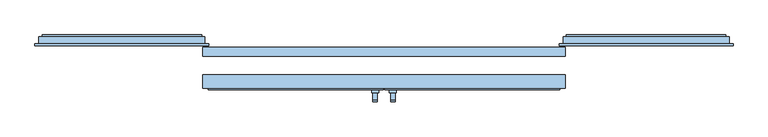
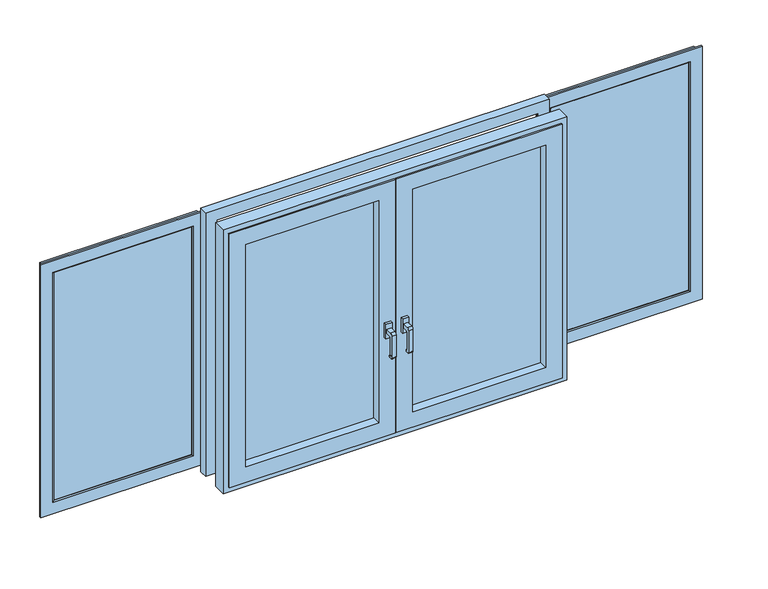
"""IFC4 building model written with IfcOpenShell, lengths in millimetres: window geometry."""

from ifc_helpers import new_model, si_unit, point, frame, frame_2d, origin, place, context, project, spatial, polyline, circle_curve, ellipse_curve, trimmed, segment, composite_curve, outline, extrude, faceted_brep, source, transform, mapped, element, save
from ifc_brep_helpers import plane_surface, cylinder_surface, advanced_brep


def window_c8cabfdf(model_context):
    return source(origin(), model_context, "Body", "SolidModel", [
        extrude(outline(polyline([(-834.9, 165.0), (-1479.5834405, 165.0), (-1479.5834405, 197.5), (-834.9, 197.5), (-834.9, 165.0)])), frame((0.0, 0.0, 987.9), z_axis=(0.0, 0.0, 1.0), x_axis=(1.0, 0.0, 0.0)), (0.0, 0.0, 1.0), 1124.2),
        advanced_brep(
        [(-1523.5165595, 165.0, 2156.033119), (-1523.5165595, 197.5, 2156.033119), (-1523.5165595, 197.5, 943.966881), (-1523.5165595, 165.0, 943.966881), (-790.966881, 197.5, 943.966881), (-790.966881, 165.0, 943.966881), (-790.966881, 197.5, 2156.033119), (-805.5, 197.5, 958.5), (-805.5, 197.5, 2141.5), (-1508.9834405, 197.5, 2141.5), (-1508.9834405, 197.5, 958.5), (-790.966881, 165.0, 2156.033119), (-1540.9834405, 165.0, 926.5), (-1540.9834405, 165.0, 2173.5), (-773.5, 165.0, 2173.5), (-773.5, 165.0, 926.5), (-1508.9834405, 205.0, 2141.5), (-1508.9834405, 205.0, 958.5), (-805.5, 205.0, 958.5), (-805.5, 205.0, 2141.5), (-830.0, 205.0, 983.0), (-830.0, 205.0, 2117.0), (-1484.4834405, 205.0, 2117.0), (-1484.4834405, 205.0, 983.0), (-1479.4834405, 200.0, 2112.0), (-1479.4834405, 200.0, 988.0), (-835.0, 200.0, 988.0), (-1479.4834405, 162.5, 988.0), (-835.0, 162.5, 988.0), (-835.0, 200.0, 2112.0), (-1479.4834405, 162.5, 2112.0), (-1484.4834405, 157.5, 983.0), (-830.0, 157.5, 983.0), (-835.0, 162.5, 2112.0), (-1484.4834405, 157.5, 2117.0), (-773.5, 157.5, 926.5), (-773.5, 157.5, 2173.5), (-1540.9834405, 157.5, 2173.5), (-1540.9834405, 157.5, 926.5), (-830.0, 157.5, 2117.0)],
        [
            (0, 1),
            (1, 2),
            (2, 3),
            (3, 0),
            (2, 4),
            (4, 5),
            (5, 3),
            (1, 6),
            (6, 4),
            (7, 8),
            (8, 9),
            (9, 10),
            (10, 7),
            (6, 11),
            (11, 5),
            (12, 13),
            (13, 14),
            (14, 15),
            (15, 12),
            (11, 0),
            (9, 16),
            (16, 17),
            (17, 10),
            (17, 18),
            (18, 7),
            (16, 19),
            (19, 18),
            (20, 21),
            (21, 22),
            (22, 23),
            (23, 20),
            (19, 8),
            (22, 24, ellipse_curve(frame((-1484.4834405, 200.0, 2117.0), z_axis=(-0.7071067811865477, 0.0, -0.7071067811865472), x_axis=(-0.7071067811865471, 0.0, 0.7071067811865478)), 7.0710678, 5.0)),
            (24, 25),
            (25, 23, ellipse_curve(frame((-1484.4834405, 200.0, 983.0), z_axis=(-0.7071067811865474, 0.0, 0.7071067811865477), x_axis=(0.7071067811865478, 0.0, 0.7071067811865474)), 7.0710678, 5.0)),
            (25, 26),
            (26, 20, ellipse_curve(frame((-830.0, 200.0, 983.0), z_axis=(-0.7071067811865476, 0.0, -0.7071067811865474), x_axis=(-0.7071067811865476, 0.0, 0.7071067811865475)), 7.0710678, 5.0)),
            (25, 27),
            (27, 28),
            (28, 26),
            (26, 29),
            (29, 21, ellipse_curve(frame((-830.0, 200.0, 2117.0), z_axis=(0.7071067811865474, 0.0, -0.7071067811865477), x_axis=(-0.7071067811865476, 0.0, -0.7071067811865474)), 7.0710678, 5.0)),
            (24, 30),
            (30, 27),
            (27, 31, ellipse_curve(frame((-1484.4834405, 162.5, 983.0), z_axis=(0.7071067811865474, 0.0, -0.7071067811865477), x_axis=(-0.7071067811865476, 0.0, -0.7071067811865474)), 7.0710678, 5.0)),
            (31, 32),
            (32, 28, ellipse_curve(frame((-830.0, 162.5, 983.0), z_axis=(-0.7071067811865476, 0.0, -0.7071067811865474), x_axis=(-0.7071067811865476, 0.0, 0.7071067811865475)), 7.0710678, 5.0)),
            (28, 33),
            (33, 29),
            (30, 34, ellipse_curve(frame((-1484.4834405, 162.5, 2117.0), z_axis=(-0.7071067811865477, 0.0, -0.7071067811865472), x_axis=(-0.7071067811865471, 0.0, 0.7071067811865478)), 7.0710678, 5.0)),
            (34, 31),
            (35, 36),
            (36, 37),
            (37, 38),
            (38, 35),
            (34, 39),
            (39, 32),
            (39, 33, ellipse_curve(frame((-830.0, 162.5, 2117.0), z_axis=(0.7071067811865474, 0.0, -0.7071067811865477), x_axis=(-0.7071067811865476, 0.0, -0.7071067811865474)), 7.0710678, 5.0)),
            (37, 13),
            (12, 38),
            (15, 35),
            (14, 36),
            (29, 24),
            (33, 30),
        ],
        [
            plane_surface(frame((-1523.5165595, 197.5, 2156.033119), z_axis=(-1.0, 0.0, 0.0), x_axis=(0.0, 0.0, -1.0))),
            plane_surface(frame((-1523.5165595, 197.5, 943.966881), z_axis=(0.0, 0.0, -1.0), x_axis=(1.0, 0.0, 0.0))),
            plane_surface(frame((-1508.9834405, 197.5, 2141.5), z_axis=(0.0, 1.0, 0.0), x_axis=(0.0, 0.0, -1.0))),
            plane_surface(frame((-790.966881, 197.5, 943.966881), z_axis=(1.0, 0.0, 0.0), x_axis=(0.0, 0.0, 1.0))),
            plane_surface(frame((-1523.5165595, 165.0, 2156.033119), z_axis=(0.0, 1.0, 0.0), x_axis=(0.0, 0.0, -1.0))),
            plane_surface(frame((-1508.9834405, 205.0, 2141.5), z_axis=(-1.0, 0.0, 0.0), x_axis=(0.0, 0.0, -1.0))),
            plane_surface(frame((-1508.9834405, 205.0, 958.5), z_axis=(0.0, 0.0, -1.0), x_axis=(1.0, 0.0, 0.0))),
            plane_surface(frame((-1484.4834405, 205.0, 2117.0), z_axis=(0.0, 1.0, 0.0), x_axis=(0.0, 0.0, -1.0))),
            plane_surface(frame((-805.5, 205.0, 958.5), z_axis=(1.0, 0.0, 0.0), x_axis=(0.0, 0.0, 1.0))),
            cylinder_surface(frame((-1484.4834405, 200.0, 2173.5), z_axis=(0.0, 0.0, 1.0), x_axis=(0.0, -1.0, 0.0)), 5.0),
            cylinder_surface(frame((-1540.9834405, 200.0, 983.0), z_axis=(-1.0, 0.0, 0.0), x_axis=(0.0, -1.0, 0.0)), 5.0),
            plane_surface(frame((-1479.4834405, 162.5, 988.0), z_axis=(0.0, 0.0, 1.0), x_axis=(1.0, 0.0, 0.0))),
            cylinder_surface(frame((-830.0, 200.0, 926.5), z_axis=(0.0, 0.0, -1.0), x_axis=(0.0, -1.0, 0.0)), 5.0),
            plane_surface(frame((-1479.4834405, 162.5, 2112.0), z_axis=(1.0, 0.0, 0.0), x_axis=(0.0, 0.0, -1.0))),
            cylinder_surface(frame((-1540.9834405, 162.5, 983.0), z_axis=(-1.0, 0.0, 0.0), x_axis=(0.0, -1.0, 0.0)), 5.0),
            plane_surface(frame((-835.0, 162.5, 988.0), z_axis=(-1.0, 0.0, 0.0), x_axis=(0.0, 0.0, 1.0))),
            cylinder_surface(frame((-1484.4834405, 162.5, 2173.5), z_axis=(0.0, 0.0, 1.0), x_axis=(0.0, -1.0, 0.0)), 5.0),
            plane_surface(frame((-1540.9834405, 157.5, 2173.5), z_axis=(0.0, -1.0, 0.0), x_axis=(0.0, 0.0, -1.0))),
            cylinder_surface(frame((-830.0, 162.5, 926.5), z_axis=(0.0, 0.0, -1.0), x_axis=(0.0, -1.0, 0.0)), 5.0),
            plane_surface(frame((-1540.9834405, 165.0, 2173.5), z_axis=(-1.0, 0.0, 0.0), x_axis=(0.0, 0.0, -1.0))),
            plane_surface(frame((-1540.9834405, 165.0, 926.5), z_axis=(0.0, 0.0, -1.0), x_axis=(1.0, 0.0, 0.0))),
            plane_surface(frame((-773.5, 165.0, 926.5), z_axis=(1.0, 0.0, 0.0), x_axis=(0.0, 0.0, 1.0))),
            plane_surface(frame((-790.966881, 197.5, 2156.033119), z_axis=(0.0, 0.0, 1.0), x_axis=(-1.0, 0.0, 0.0))),
            plane_surface(frame((-805.5, 205.0, 2141.5), z_axis=(0.0, 0.0, 1.0), x_axis=(-1.0, 0.0, 0.0))),
            cylinder_surface(frame((-773.5, 200.0, 2117.0), z_axis=(1.0, 0.0, 0.0), x_axis=(0.0, -1.0, 0.0)), 5.0),
            plane_surface(frame((-835.0, 162.5, 2112.0), z_axis=(0.0, 0.0, -1.0), x_axis=(-1.0, 0.0, 0.0))),
            cylinder_surface(frame((-773.5, 162.5, 2117.0), z_axis=(1.0, 0.0, 0.0), x_axis=(0.0, -1.0, 0.0)), 5.0),
            plane_surface(frame((-773.5, 165.0, 2173.5), z_axis=(0.0, 0.0, 1.0), x_axis=(-1.0, 0.0, 0.0))),
        ],
        [
            (0, [[1, 2, 3, 4]]),
            (1, [[-3, 5, 6, 7]]),
            (2, [[-2, 8, 9, -5], [10, 11, 12, 13]]),
            (3, [[-6, -9, 14, 15]]),
            (4, [[16, 17, 18, 19], [-15, 20, -4, -7]]),
            (5, [[21, 22, 23, -12]]),
            (6, [[-23, 24, 25, -13]]),
            (7, [[-22, 26, 27, -24], [28, 29, 30, 31]]),
            (8, [[-25, -27, 32, -10]]),
            (9, [[33, 34, 35, -30]]),
            (10, [[-35, 36, 37, -31]]),
            (11, [[38, 39, 40, -36]]),
            (12, [[-37, 41, 42, -28]]),
            (13, [[43, 44, -38, -34]]),
            (14, [[45, 46, 47, -39]]),
            (15, [[-40, 48, 49, -41]]),
            (16, [[50, 51, -45, -44]]),
            (17, [[52, 53, 54, 55], [-51, 56, 57, -46]]),
            (18, [[-47, -57, 58, -48]]),
            (19, [[59, -16, 60, -54]]),
            (20, [[-60, -19, 61, -55]]),
            (21, [[-61, -18, 62, -52]]),
            (22, [[-14, -8, -1, -20]]),
            (23, [[-32, -26, -21, -11]]),
            (24, [[-42, 63, -33, -29]]),
            (25, [[-49, 64, -43, -63]]),
            (26, [[-58, -56, -50, -64]]),
            (27, [[-62, -17, -59, -53]]),
        ],
    ),
        extrude(outline(polyline([(1479.6, 165.0), (834.9, 165.0), (834.9, 197.5), (1479.6, 197.5), (1479.6, 165.0)])), frame((0.0, 0.0, 987.9), z_axis=(0.0, 0.0, 1.0), x_axis=(1.0, 0.0, 0.0)), (0.0, 0.0, 1.0), 1124.2),
        advanced_brep(
        [(1523.533119, 197.5, 2156.033119), (1523.533119, 165.0, 2156.033119), (1523.533119, 165.0, 943.966881), (1523.533119, 197.5, 943.966881), (790.966881, 165.0, 943.966881), (790.966881, 197.5, 943.966881), (773.5, 165.0, 926.5), (773.5, 165.0, 2173.5), (1541.0, 165.0, 2173.5), (1541.0, 165.0, 926.5), (790.966881, 165.0, 2156.033119), (790.966881, 197.5, 2156.033119), (1509.0, 197.5, 958.5), (1509.0, 197.5, 2141.5), (805.5, 197.5, 2141.5), (805.5, 197.5, 958.5), (1509.0, 205.0, 2141.5), (1509.0, 205.0, 958.5), (805.5, 205.0, 958.5), (805.5, 205.0, 2141.5), (1484.5, 205.0, 983.0), (1484.5, 205.0, 2117.0), (830.0, 205.0, 2117.0), (830.0, 205.0, 983.0), (1479.5, 200.0, 2112.0), (1479.5, 200.0, 988.0), (835.0, 200.0, 988.0), (835.0, 200.0, 2112.0), (1479.5, 162.5, 988.0), (835.0, 162.5, 988.0), (1479.5, 162.5, 2112.0), (835.0, 162.5, 2112.0), (1484.5, 157.5, 983.0), (830.0, 157.5, 983.0), (1484.5, 157.5, 2117.0), (830.0, 157.5, 2117.0), (1541.0, 157.5, 926.5), (1541.0, 157.5, 2173.5), (773.5, 157.5, 2173.5), (773.5, 157.5, 926.5)],
        [
            (0, 1),
            (1, 2),
            (2, 3),
            (3, 0),
            (2, 4),
            (4, 5),
            (5, 3),
            (6, 7),
            (7, 8),
            (8, 9),
            (9, 6),
            (1, 10),
            (10, 4),
            (10, 11),
            (11, 5),
            (11, 0),
            (12, 13),
            (13, 14),
            (14, 15),
            (15, 12),
            (16, 13),
            (12, 17),
            (17, 16),
            (15, 18),
            (18, 17),
            (14, 19),
            (19, 18),
            (19, 16),
            (20, 21),
            (21, 22),
            (22, 23),
            (23, 20),
            (24, 21, ellipse_curve(frame((1484.5, 200.0, 2117.0), z_axis=(0.7071067811865475, 0.0, -0.7071067811865475), x_axis=(0.7071067811865474, 0.0, 0.7071067811865476)), 7.0710678, 5.0)),
            (20, 25, ellipse_curve(frame((1484.5, 200.0, 983.0), z_axis=(0.7071067811865475, 0.0, 0.7071067811865475), x_axis=(-0.7071067811865474, 0.0, 0.7071067811865476)), 7.0710678, 5.0)),
            (25, 24),
            (23, 26, ellipse_curve(frame((830.0, 200.0, 983.0), z_axis=(0.7071067811865475, 0.0, -0.7071067811865475), x_axis=(0.7071067811865476, 0.0, 0.7071067811865474)), 7.0710678, 5.0)),
            (26, 25),
            (22, 27, ellipse_curve(frame((830.0, 200.0, 2117.0), z_axis=(-0.7071067811865475, 0.0, -0.7071067811865475), x_axis=(0.7071067811865474, 0.0, -0.7071067811865476)), 7.0710678, 5.0)),
            (27, 26),
            (28, 25),
            (26, 29),
            (29, 28),
            (30, 24),
            (28, 30),
            (27, 31),
            (31, 29),
            (32, 28, ellipse_curve(frame((1484.5, 162.5, 983.0), z_axis=(-0.7071067811865475, 0.0, -0.7071067811865475), x_axis=(0.7071067811865476, 0.0, -0.7071067811865474)), 7.0710678, 5.0)),
            (29, 33, ellipse_curve(frame((830.0, 162.5, 983.0), z_axis=(0.7071067811865475, 0.0, -0.7071067811865475), x_axis=(0.7071067811865476, 0.0, 0.7071067811865474)), 7.0710678, 5.0)),
            (33, 32),
            (34, 30, ellipse_curve(frame((1484.5, 162.5, 2117.0), z_axis=(0.7071067811865475, 0.0, -0.7071067811865475), x_axis=(0.7071067811865474, 0.0, 0.7071067811865476)), 7.0710678, 5.0)),
            (32, 34),
            (31, 35, ellipse_curve(frame((830.0, 162.5, 2117.0), z_axis=(-0.7071067811865475, 0.0, -0.7071067811865475), x_axis=(0.7071067811865474, 0.0, -0.7071067811865476)), 7.0710678, 5.0)),
            (35, 33),
            (36, 37),
            (37, 38),
            (38, 39),
            (39, 36),
            (35, 34),
            (8, 37),
            (36, 9),
            (39, 6),
            (38, 7),
            (24, 27),
            (30, 31),
        ],
        [
            plane_surface(frame((1523.533119, 165.0, 2156.033119), z_axis=(1.0, 0.0, 0.0), x_axis=(0.0, 0.0, -1.0))),
            plane_surface(frame((1523.533119, 165.0, 943.966881), z_axis=(0.0, 0.0, -1.0), x_axis=(-1.0, 0.0, 0.0))),
            plane_surface(frame((1541.0, 165.0, 2173.5), z_axis=(0.0, 1.0, 0.0), x_axis=(0.0, 0.0, -1.0))),
            plane_surface(frame((790.966881, 165.0, 943.966881), z_axis=(-1.0, 0.0, 0.0), x_axis=(0.0, 0.0, 1.0))),
            plane_surface(frame((1523.533119, 197.5, 2156.033119), z_axis=(0.0, 1.0, 0.0), x_axis=(0.0, 0.0, -1.0))),
            plane_surface(frame((1509.0, 197.5, 2141.5), z_axis=(1.0, 0.0, 0.0), x_axis=(0.0, 0.0, -1.0))),
            plane_surface(frame((1509.0, 197.5, 958.5), z_axis=(0.0, 0.0, -1.0), x_axis=(-1.0, 0.0, 0.0))),
            plane_surface(frame((805.5, 197.5, 958.5), z_axis=(-1.0, 0.0, 0.0), x_axis=(0.0, 0.0, 1.0))),
            plane_surface(frame((1509.0, 205.0, 2141.5), z_axis=(0.0, 1.0, 0.0), x_axis=(0.0, 0.0, -1.0))),
            cylinder_surface(frame((1484.5, 200.0, 2173.5), z_axis=(0.0, 0.0, 1.0), x_axis=(0.0, -1.0, 0.0)), 5.0),
            cylinder_surface(frame((1541.0, 200.0, 983.0), z_axis=(1.0, 0.0, 0.0), x_axis=(0.0, -1.0, 0.0)), 5.0),
            cylinder_surface(frame((830.0, 200.0, 926.5), z_axis=(0.0, 0.0, -1.0), x_axis=(0.0, -1.0, 0.0)), 5.0),
            plane_surface(frame((1479.5, 200.0, 988.0), z_axis=(0.0, 0.0, 1.0), x_axis=(-1.0, 0.0, 0.0))),
            plane_surface(frame((1479.5, 200.0, 2112.0), z_axis=(-1.0, 0.0, 0.0), x_axis=(0.0, 0.0, -1.0))),
            plane_surface(frame((835.0, 200.0, 988.0), z_axis=(1.0, 0.0, 0.0), x_axis=(0.0, 0.0, 1.0))),
            cylinder_surface(frame((1541.0, 162.5, 983.0), z_axis=(1.0, 0.0, 0.0), x_axis=(0.0, -1.0, 0.0)), 5.0),
            cylinder_surface(frame((1484.5, 162.5, 2173.5), z_axis=(0.0, 0.0, 1.0), x_axis=(0.0, -1.0, 0.0)), 5.0),
            cylinder_surface(frame((830.0, 162.5, 926.5), z_axis=(0.0, 0.0, -1.0), x_axis=(0.0, -1.0, 0.0)), 5.0),
            plane_surface(frame((1484.5, 157.5, 2117.0), z_axis=(0.0, -1.0, 0.0), x_axis=(0.0, 0.0, -1.0))),
            plane_surface(frame((1541.0, 157.5, 2173.5), z_axis=(1.0, 0.0, 0.0), x_axis=(0.0, 0.0, -1.0))),
            plane_surface(frame((1541.0, 157.5, 926.5), z_axis=(0.0, 0.0, -1.0), x_axis=(-1.0, 0.0, 0.0))),
            plane_surface(frame((773.5, 157.5, 926.5), z_axis=(-1.0, 0.0, 0.0), x_axis=(0.0, 0.0, 1.0))),
            plane_surface(frame((790.966881, 165.0, 2156.033119), z_axis=(0.0, 0.0, 1.0), x_axis=(1.0, 0.0, 0.0))),
            plane_surface(frame((805.5, 197.5, 2141.5), z_axis=(0.0, 0.0, 1.0), x_axis=(1.0, 0.0, 0.0))),
            cylinder_surface(frame((773.5, 200.0, 2117.0), z_axis=(-1.0, 0.0, 0.0), x_axis=(0.0, -1.0, 0.0)), 5.0),
            plane_surface(frame((835.0, 200.0, 2112.0), z_axis=(0.0, 0.0, -1.0), x_axis=(1.0, 0.0, 0.0))),
            cylinder_surface(frame((773.5, 162.5, 2117.0), z_axis=(-1.0, 0.0, 0.0), x_axis=(0.0, -1.0, 0.0)), 5.0),
            plane_surface(frame((773.5, 157.5, 2173.5), z_axis=(0.0, 0.0, 1.0), x_axis=(1.0, 0.0, 0.0))),
        ],
        [
            (0, [[1, 2, 3, 4]]),
            (1, [[-3, 5, 6, 7]]),
            (2, [[8, 9, 10, 11], [-2, 12, 13, -5]]),
            (3, [[-6, -13, 14, 15]]),
            (4, [[-15, 16, -4, -7], [17, 18, 19, 20]]),
            (5, [[21, -17, 22, 23]]),
            (6, [[-22, -20, 24, 25]]),
            (7, [[-24, -19, 26, 27]]),
            (8, [[-27, 28, -23, -25], [29, 30, 31, 32]]),
            (9, [[33, -29, 34, 35]]),
            (10, [[-34, -32, 36, 37]]),
            (11, [[-36, -31, 38, 39]]),
            (12, [[40, -37, 41, 42]]),
            (13, [[43, -35, -40, 44]]),
            (14, [[-41, -39, 45, 46]]),
            (15, [[47, -42, 48, 49]]),
            (16, [[50, -44, -47, 51]]),
            (17, [[-48, -46, 52, 53]]),
            (18, [[54, 55, 56, 57], [-53, 58, -51, -49]]),
            (19, [[59, -54, 60, -10]]),
            (20, [[-60, -57, 61, -11]]),
            (21, [[-61, -56, 62, -8]]),
            (22, [[-14, -12, -1, -16]]),
            (23, [[-26, -18, -21, -28]]),
            (24, [[-38, -30, -33, 63]]),
            (25, [[-45, -63, -43, 64]]),
            (26, [[-52, -64, -50, -58]]),
            (27, [[-62, -55, -59, -9]]),
        ],
    ),
        faceted_brep([(-800.0, 110.0, 2200.0), (-800.0, 150.0, 2200.0), (-800.0, 150.0, 900.0), (-800.0, 110.0, 900.0), (800.0, 150.0, 2200.0), (800.0, 150.0, 900.0), (-767.5, 150.0, 932.5), (767.5, 150.0, 932.5), (767.5, 150.0, 2167.5), (-767.5, 150.0, 2167.5), (800.0, 110.0, 900.0), (800.0, 110.0, 2200.0), (-746.5, 110.0, 2146.5), (746.5, 110.0, 2146.5), (746.5, 110.0, 953.5), (-746.5, 110.0, 953.5), (-746.5, 115.0, 2146.5), (-746.5, 115.0, 953.5), (746.5, 115.0, 953.5), (-767.5, 115.0, 2167.5), (767.5, 115.0, 2167.5), (767.5, 115.0, 932.5), (-767.5, 115.0, 932.5), (746.5, 115.0, 2146.5)], [[[0, 1, 2, 3]], [[1, 4, 5, 2], [6, 7, 8, 9]], [[3, 2, 5, 10]], [[3, 10, 11, 0], [12, 13, 14, 15]], [[16, 12, 15, 17]], [[17, 15, 14, 18]], [[19, 20, 21, 22], [17, 18, 23, 16]], [[9, 19, 22, 6]], [[6, 22, 21, 7]], [[10, 5, 4, 11]], [[18, 14, 13, 23]], [[7, 21, 20, 8]], [[11, 4, 1, 0]], [[23, 13, 12, 16]], [[8, 20, 19, 9]]]),
        extrude(outline(composite_curve([segment(polyline([(-80.5, 1460.0), (-50.5, 1460.0), (-50.5, 1440.0), (-75.5, 1440.0)]), True, "CONTINUOUS"), segment(trimmed(circle_curve(frame_2d((-75.5, 1435.0)), 5.0), [point((-75.5, 1440.0))], [point((-80.5, 1435.0))], True, "CARTESIAN"), True, "CONTINUOUS"), segment(polyline([(-80.5, 1435.0), (-80.5, 1350.0786403)]), True, "CONTINUOUS"), segment(trimmed(circle_curve(frame_2d((-77.4213597, 1350.0786403)), 3.0786403), [point((-80.5, 1350.0786403))], [point((-77.4213597, 1347.0))], True, "CARTESIAN"), True, "CONTINUOUS"), segment(polyline([(-77.4213597, 1347.0), (-75.5, 1347.0)]), True, "CONTINUOUS"), segment(trimmed(circle_curve(frame_2d((-75.5, 1342.0)), 5.0), [point((-75.5, 1347.0))], [point((-75.5, 1337.0))], False, "CARTESIAN"), True, "CONTINUOUS"), segment(polyline([(-75.5, 1337.0), (-85.8955173, 1337.0)]), True, "CONTINUOUS"), segment(trimmed(circle_curve(frame_2d((-85.8955173, 1341.6044827)), 4.6044827), [point((-85.8955173, 1337.0))], [point((-90.5, 1341.6044827))], False, "CARTESIAN"), True, "CONTINUOUS"), segment(polyline([(-90.5, 1341.6044827), (-90.5, 1450.0)]), True, "CONTINUOUS"), segment(trimmed(circle_curve(frame_2d((-80.5, 1450.0)), 10.0), [point((-90.5, 1450.0))], [point((-80.5, 1460.0))], False, "CARTESIAN"), True, "CONTINUOUS")], self_intersect=False)), frame((29.2463268, 0.0, 0.0), z_axis=(1.0, 0.0, 0.0), x_axis=(0.0, 1.0, 0.0)), (0.0, 0.0, 1.0), 20.0),
        extrude(outline(polyline([(24.2463268, -50.5), (24.2463268, -37.5), (54.2463268, -37.5), (54.2463268, -50.5), (24.2463268, -50.5)])), frame((0.0, 0.0, 1415.0), z_axis=(0.0, 0.0, 1.0), x_axis=(1.0, 0.0, 0.0)), (0.0, 0.0, 1.0), 70.0),
        extrude(outline(composite_curve([segment(polyline([(-80.5, 1460.0), (-50.5, 1460.0), (-50.5, 1440.0), (-75.5, 1440.0)]), True, "CONTINUOUS"), segment(trimmed(circle_curve(frame_2d((-75.5, 1435.0)), 5.0), [point((-75.5, 1440.0))], [point((-80.5, 1435.0))], True, "CARTESIAN"), True, "CONTINUOUS"), segment(polyline([(-80.5, 1435.0), (-80.5, 1350.0786403)]), True, "CONTINUOUS"), segment(trimmed(circle_curve(frame_2d((-77.4213597, 1350.0786403)), 3.0786403), [point((-80.5, 1350.0786403))], [point((-77.4213597, 1347.0))], True, "CARTESIAN"), True, "CONTINUOUS"), segment(polyline([(-77.4213597, 1347.0), (-75.5, 1347.0)]), True, "CONTINUOUS"), segment(trimmed(circle_curve(frame_2d((-75.5, 1342.0)), 5.0), [point((-75.5, 1347.0))], [point((-75.5, 1337.0))], False, "CARTESIAN"), True, "CONTINUOUS"), segment(polyline([(-75.5, 1337.0), (-85.8955173, 1337.0)]), True, "CONTINUOUS"), segment(trimmed(circle_curve(frame_2d((-85.8955173, 1341.6044827)), 4.6044827), [point((-85.8955173, 1337.0))], [point((-90.5, 1341.6044827))], False, "CARTESIAN"), True, "CONTINUOUS"), segment(polyline([(-90.5, 1341.6044827), (-90.5, 1450.0)]), True, "CONTINUOUS"), segment(trimmed(circle_curve(frame_2d((-80.5, 1450.0)), 10.0), [point((-90.5, 1450.0))], [point((-80.5, 1460.0))], False, "CARTESIAN"), True, "CONTINUOUS")], self_intersect=False)), frame((-49.2463268, 0.0, 0.0), z_axis=(1.0, 0.0, 0.0), x_axis=(0.0, 1.0, 0.0)), (0.0, 0.0, 1.0), 20.0),
        extrude(outline(polyline([(-24.2463268, -50.5), (-54.2463268, -50.5), (-54.2463268, -37.5), (-24.2463268, -37.5), (-24.2463268, -50.5)])), frame((0.0, 0.0, 1415.0), z_axis=(0.0, 0.0, 1.0), x_axis=(1.0, 0.0, 0.0)), (0.0, 0.0, 1.0), 70.0),
        extrude(outline(polyline([(698.5, 4.0), (79.0, 4.0), (79.0, 22.0), (698.5, 22.0), (698.5, 4.0)])), frame((0.0, 0.0, 1001.5), z_axis=(0.0, 0.0, 1.0), x_axis=(1.0, 0.0, 0.0)), (0.0, 0.0, 1.0), 1097.0),
        extrude(outline(polyline([(-79.0, 4.0), (-698.5, 4.0), (-698.5, 22.0), (-79.0, 22.0), (-79.0, 4.0)])), frame((0.0, 0.0, 1001.5), z_axis=(0.0, 0.0, 1.0), x_axis=(1.0, 0.0, 0.0)), (0.0, 0.0, 1.0), 1097.0),
        faceted_brep([(758.0, 22.0, 2158.0), (758.0, -30.0, 2158.0), (758.0, -30.0, 942.0), (758.0, 22.0, 942.0), (2.5, -30.0, 925.0), (2.5, -30.0, 2175.0), (775.0, -30.0, 2175.0), (775.0, -30.0, 925.0), (19.5, -30.0, 2158.0), (19.5, -30.0, 942.0), (19.5, 22.0, 942.0), (19.5, 22.0, 2158.0), (35.5, 22.0, 2142.0), (35.5, 22.0, 958.0), (742.0, 22.0, 958.0), (742.0, 22.0, 2142.0), (775.0, -37.5, 2175.0), (775.0, -37.5, 925.0), (2.5, -37.5, 2175.0), (2.5, -37.5, 925.0), (79.0, -37.5, 1001.5), (79.0, -37.5, 2098.5), (698.5, -37.5, 2098.5), (698.5, -37.5, 1001.5), (698.5, 30.0, 2098.5), (698.5, 30.0, 1001.5), (35.5, 30.0, 958.0), (35.5, 30.0, 2142.0), (742.0, 30.0, 2142.0), (742.0, 30.0, 958.0), (79.0, 30.0, 2098.5), (79.0, 30.0, 1001.5)], [[[0, 1, 2, 3]], [[4, 5, 6, 7], [8, 9, 2, 1]], [[3, 2, 9, 10]], [[10, 11, 0, 3], [12, 13, 14, 15]], [[6, 16, 17, 7]], [[18, 19, 17, 16], [20, 21, 22, 23]], [[7, 17, 19, 4]], [[22, 24, 25, 23]], [[26, 27, 28, 29], [30, 31, 25, 24]], [[23, 25, 31, 20]], [[28, 15, 14, 29]], [[29, 14, 13, 26]], [[10, 9, 8, 11]], [[4, 19, 18, 5]], [[20, 31, 30, 21]], [[26, 13, 12, 27]], [[11, 8, 1, 0]], [[5, 18, 16, 6]], [[21, 30, 24, 22]], [[27, 12, 15, 28]]]),
        extrude(outline(polyline([(-33.0, 30.0), (28.0, 30.0), (28.0, 22.0), (17.0, 22.0), (17.0, -30.0), (-22.0, -30.0), (-22.0, 22.0), (-33.0, 22.0), (-33.0, 30.0)])), frame((0.0, 0.0, 962.0), z_axis=(0.0, 0.0, 1.0), x_axis=(1.0, 0.0, 0.0)), (0.0, 0.0, 1.0), 1180.0),
        faceted_brep([(-758.0, -30.0, 2158.0), (-758.0, 22.0, 2158.0), (-758.0, 22.0, 942.0), (-758.0, -30.0, 942.0), (-19.5, 22.0, 2158.0), (-19.5, 22.0, 942.0), (-35.5, 22.0, 958.0), (-35.5, 22.0, 2142.0), (-742.0, 22.0, 2142.0), (-742.0, 22.0, 958.0), (-19.5, -30.0, 942.0), (-2.5, -30.0, 2175.0), (-2.5, -30.0, 925.0), (-775.0, -30.0, 925.0), (-775.0, -30.0, 2175.0), (-19.5, -30.0, 2158.0), (-775.0, -37.5, 2175.0), (-775.0, -37.5, 925.0), (-2.5, -37.5, 925.0), (-2.5, -37.5, 2175.0), (-79.0, -37.5, 2098.5), (-79.0, -37.5, 1001.5), (-698.5, -37.5, 1001.5), (-698.5, -37.5, 2098.5), (-698.5, 30.0, 2098.5), (-698.5, 30.0, 1001.5), (-79.0, 30.0, 1001.5), (-35.5, 30.0, 2142.0), (-35.5, 30.0, 958.0), (-742.0, 30.0, 958.0), (-742.0, 30.0, 2142.0), (-79.0, 30.0, 2098.5)], [[[0, 1, 2, 3]], [[4, 5, 2, 1], [6, 7, 8, 9]], [[3, 2, 5, 10]], [[11, 12, 13, 14], [10, 15, 0, 3]], [[16, 14, 13, 17]], [[17, 13, 12, 18]], [[18, 19, 16, 17], [20, 21, 22, 23]], [[24, 23, 22, 25]], [[25, 22, 21, 26]], [[27, 28, 29, 30], [26, 31, 24, 25]], [[8, 30, 29, 9]], [[9, 29, 28, 6]], [[10, 5, 4, 15]], [[18, 12, 11, 19]], [[26, 21, 20, 31]], [[6, 28, 27, 7]], [[15, 4, 1, 0]], [[19, 11, 14, 16]], [[31, 20, 23, 24]], [[7, 27, 30, 8]]]),
        faceted_brep([(-800.0, 30.0, 2200.0), (-800.0, 30.0, 900.0), (-800.0, -30.0, 900.0), (-800.0, -30.0, 2200.0), (800.0, 30.0, 2200.0), (800.0, 30.0, 900.0), (-742.0, 30.0, 958.0), (742.0, 30.0, 958.0), (742.0, 30.0, 2142.0), (-742.0, 30.0, 2142.0), (800.0, -30.0, 900.0), (800.0, -30.0, 2200.0), (-764.0, -30.0, 2164.0), (764.0, -30.0, 2164.0), (764.0, -30.0, 936.0), (-764.0, -30.0, 936.0), (-764.0, 22.0, 2164.0), (-764.0, 22.0, 936.0), (764.0, 22.0, 936.0), (764.0, 22.0, 2164.0), (-742.0, 22.0, 2142.0), (742.0, 22.0, 2142.0), (742.0, 22.0, 958.0), (-742.0, 22.0, 958.0)], [[[0, 1, 2, 3]], [[0, 4, 5, 1], [6, 7, 8, 9]], [[2, 1, 5, 10]], [[2, 10, 11, 3], [12, 13, 14, 15]], [[16, 12, 15, 17]], [[17, 15, 14, 18]], [[17, 18, 19, 16], [20, 21, 22, 23]], [[9, 20, 23, 6]], [[6, 23, 22, 7]], [[10, 5, 4, 11]], [[18, 14, 13, 19]], [[7, 22, 21, 8]], [[11, 4, 0, 3]], [[19, 13, 12, 16]], [[8, 21, 20, 9]]]),
    ])


if __name__ == "__main__":
    model = new_model("IFC4")
    model_context = context("Model", 3, world=origin())
    ifc_project = project(units=[si_unit("LENGTHUNIT", "METRE", prefix="MILLI")], contexts=[model_context])
    site = spatial("IfcSite", under=ifc_project)
    building = spatial("IfcBuilding", under=site)
    placement = place(None, origin())
    window_shape = window_c8cabfdf(model_context)
    element("IfcWindow", 1, at=placement, inside=building, context=model_context, shape_type="MappedRepresentation", body=[
        mapped(window_shape, transform((0.0, 0.0, 0.0), x_axis=(1.0, 0.0, 0.0), y_axis=(0.0, 1.0, 0.0), z_axis=(0.0, 0.0, 1.0))),
    ])
    save(model, "model.ifc")
